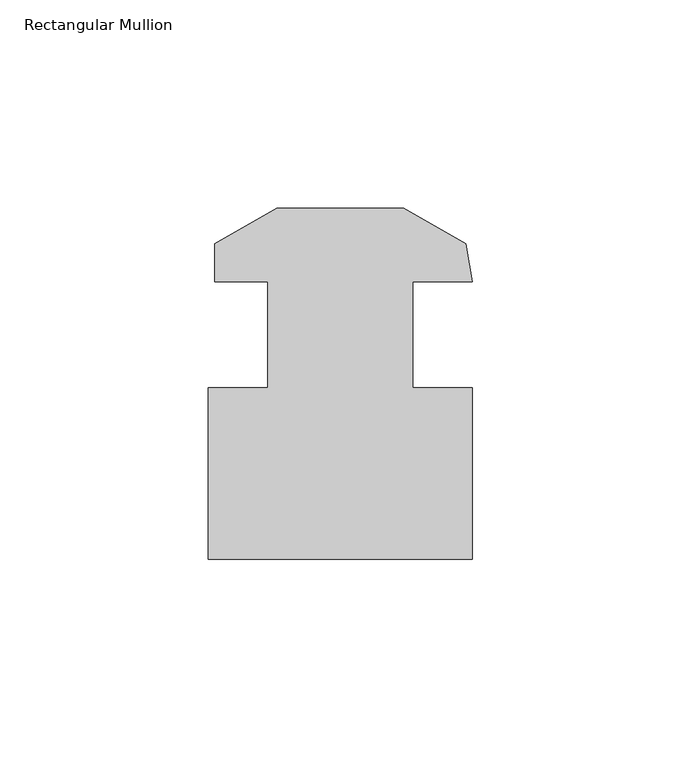
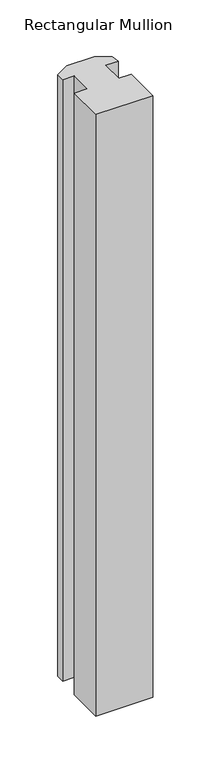
"""IFC4 building model written with IfcOpenShell, lengths in millimetres: member geometry, Rectangular Mullion."""

from ifc_helpers import new_model, si_unit, frame, origin, place, context, project, spatial, polyline, outline, extrude, source, transform, mapped, element, save


def rectangular_mullion_a13faa2c(model_context):
    return source(origin(), model_context, "Body", "SweptSolid", [
        extrude(outline(polyline([(-4.096956, -53.9602111), (-67.596956, -53.9602111), (-67.596956, -12.6852111), (-53.309456, -12.6852111), (-53.309456, 12.7147889), (-65.9499667, 12.7147889), (-65.9499667, 21.8572066), (-51.099656, 30.4308317), (-20.594256, 30.4310857), (-5.7051014, 21.8350346), (-4.096956, 12.7147889), (-18.384456, 12.7147889), (-18.384456, -12.6852111), (-4.096956, -12.6852111), (-4.096956, -53.9602111)])), frame((0.0, 0.0, -706.8411384), z_axis=(0.0, 0.0, 1.0), x_axis=(1.0, 0.0, 0.0)), (0.0, 0.0, 1.0), 706.8411384),
    ])


if __name__ == "__main__":
    model = new_model("IFC4")
    model_context = context("Model", 3, world=origin())
    ifc_project = project(units=[si_unit("LENGTHUNIT", "METRE", prefix="MILLI")], contexts=[model_context])
    site = spatial("IfcSite", under=ifc_project)
    building = spatial("IfcBuilding", under=site)
    placement = place(None, origin())
    rectangular_mullion_shape = rectangular_mullion_a13faa2c(model_context)
    element("IfcMember", 1, ObjectType="Rectangular Mullion", at=placement, inside=building, context=model_context, shape_type="MappedRepresentation", body=[
        mapped(rectangular_mullion_shape, transform((0.0, 0.0, 0.0), x_axis=(1.0, 0.0, 0.0), y_axis=(0.0, 1.0, 0.0), z_axis=(0.0, 0.0, 1.0))),
    ])
    save(model, "model.ifc")
